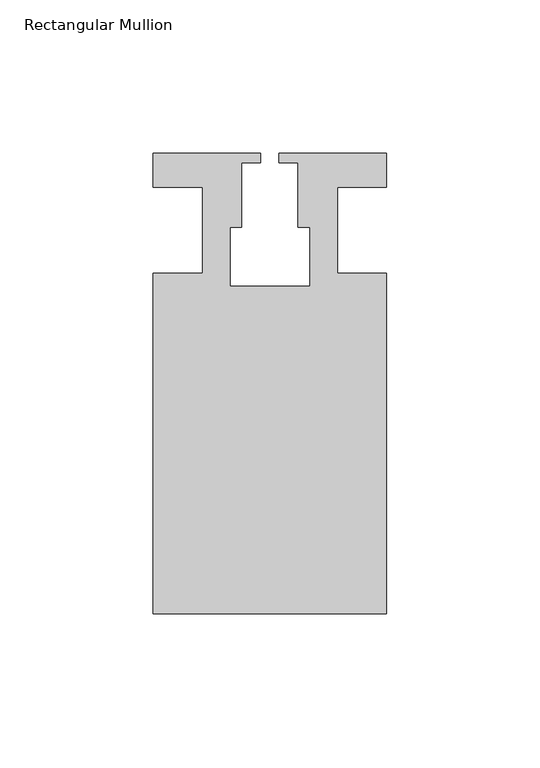
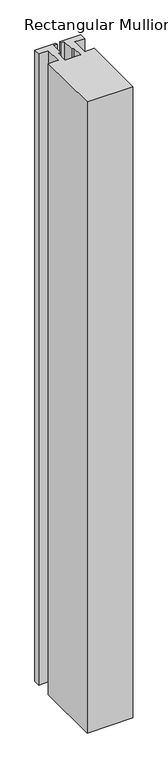
"""IFC4 building model written with IfcOpenShell, lengths in millimetres: member geometry, Rectangular Mullion."""

import ifcopenshell
import ifcopenshell.guid

model = None  # the IFC model being written
_history = None  # IfcOwnerHistory: only IFC2X3 demands one
_inside = {}  # id of a spatial element -> (the spatial element, [elements in it])
_under = {}  # id of a project, library or spatial element -> (it, [spatial elements below it])
_declared = {}  # id of a project -> (the project, [libraries it declares])
_typed = {}  # id of a type object -> (the type object, [elements of that type])
_made_of = {}  # id of a material, layer set ... -> (it, [elements and type objects made of it])


def new_model(schema):
    """Start an empty IFC model of exactly this schema.

    Asked for "IFC4X3", IfcOpenShell would pick the latest addendum, in which some entities
    have other attributes; the version numbers below select the first issue.
    IFC2X3 requires an IfcOwnerHistory on every rooted entity: one is made here for all.
    """
    global model, _history
    if schema == "IFC4X3":
        model = ifcopenshell.file(schema_version=(4, 3, 0, 0))
    else:
        model = ifcopenshell.file(schema=schema)
    _inside.clear()
    _under.clear()
    _declared.clear()
    _typed.clear()
    _made_of.clear()
    _history = None
    if model.schema == "IFC2X3":
        org = make("IfcOrganization", Name="unknown")
        user = make(
            "IfcPersonAndOrganization",
            ThePerson=make("IfcPerson", FamilyName="unknown"),
            TheOrganization=org,
        )
        app = make(
            "IfcApplication",
            ApplicationDeveloper=org,
            Version="unknown",
            ApplicationFullName="unknown",
            ApplicationIdentifier="unknown",
        )
        _history = make(
            "IfcOwnerHistory",
            OwningUser=user,
            OwningApplication=app,
            ChangeAction="ADDED",
            CreationDate=0,
        )
    return model


def make(cls, **values):
    """One entity of the class cls with the attributes given. An attribute that is None is left unset."""
    return model.create_entity(
        cls, **{name: value for name, value in values.items() if value is not None}
    )


def rooted(cls, **values):
    """An entity with a GlobalId (a new one), such as an element, a storey or a relation."""
    return make(cls, GlobalId=ifcopenshell.guid.new(), OwnerHistory=_history, **values)


def si_unit(unit_type, name, prefix=None):
    """IfcSIUnit, for example si_unit("LENGTHUNIT", "METRE", prefix="MILLI")."""
    return make("IfcSIUnit", UnitType=unit_type, Prefix=prefix, Name=name)


def assignment(units):
    """IfcUnitAssignment: the units of a project."""
    return None if units is None else make("IfcUnitAssignment", Units=units)


def point(xyz):
    """IfcCartesianPoint."""
    return None if xyz is None else make("IfcCartesianPoint", Coordinates=xyz)


def direction(xyz):
    """IfcDirection."""
    return None if xyz is None else make("IfcDirection", DirectionRatios=xyz)


def frame(location, z_axis=None, x_axis=None):
    """IfcAxis2Placement3D, a coordinate frame: its origin and axes. An axis left out is left unset."""
    return make(
        "IfcAxis2Placement3D",
        Location=point(location),
        Axis=direction(z_axis),
        RefDirection=direction(x_axis),
    )


def origin():
    """The frame at (0, 0, 0) with its axes left unset."""
    return frame((0.0, 0.0, 0.0))


def place(relative_to, where):
    """IfcLocalPlacement: puts the frame where relative to a parent placement (None: the world)."""
    return make(
        "IfcLocalPlacement", PlacementRelTo=relative_to, RelativePlacement=where
    )


def context(
    kind, dimensions, precision=None, world=None, true_north=None, identifier=None
):
    """IfcGeometricRepresentationContext, for example the 3D "Model" context."""
    return make(
        "IfcGeometricRepresentationContext",
        ContextIdentifier=identifier,
        ContextType=kind,
        CoordinateSpaceDimension=dimensions,
        Precision=precision,
        WorldCoordinateSystem=world,
        TrueNorth=true_north,
    )


def project(units=None, contexts=None):
    """IfcProject with its units and contexts."""
    return rooted(
        "IfcProject",
        Name="project",
        RepresentationContexts=contexts,
        UnitsInContext=assignment(units),
    )


def spatial(cls, under=None, at=None, **own):
    """A site, building, storey or space (cls), placed at a placement, below another one or the project."""
    s = rooted(cls, ObjectPlacement=at, **own)
    if under is not None:
        _under.setdefault(under.id(), (under, []))[1].append(s)
    return s


def polyline(points):
    """IfcPolyline through the points."""
    return make("IfcPolyline", Points=[point(p) for p in points])


def outline(outer, holes=None, kind="AREA"):
    """IfcArbitraryClosedProfileDef: a profile drawn as a closed curve; with holes, ...WithVoids."""
    if holes is None:
        return make("IfcArbitraryClosedProfileDef", ProfileType=kind, OuterCurve=outer)
    return make(
        "IfcArbitraryProfileDefWithVoids",
        ProfileType=kind,
        OuterCurve=outer,
        InnerCurves=holes,
    )


def extrude(swept, where, along, depth):
    """IfcExtrudedAreaSolid: the profile swept, set in the frame where, extruded along a direction by depth."""
    return make(
        "IfcExtrudedAreaSolid",
        SweptArea=swept,
        Position=where,
        ExtrudedDirection=direction(along),
        Depth=depth,
    )


def shape(context_of_items, identifier, shape_type, items):
    """IfcShapeRepresentation: the items that make up one representation, for example the "Body"."""
    return make(
        "IfcShapeRepresentation",
        ContextOfItems=context_of_items,
        RepresentationIdentifier=identifier,
        RepresentationType=shape_type,
        Items=items,
    )


def source(mapping_origin, context_of_items, identifier, shape_type, items):
    """IfcRepresentationMap: a shape defined once, which mapped items show again and again."""
    return make(
        "IfcRepresentationMap",
        MappingOrigin=mapping_origin,
        MappedRepresentation=shape(context_of_items, identifier, shape_type, items),
    )


def transform(
    local_origin,
    x_axis=None,
    y_axis=None,
    z_axis=None,
    scale=None,
    scale2=None,
    scale3=None,
    uniform=True,
):
    """IfcCartesianTransformationOperator3D, or its non-uniform kind. x_axis, y_axis, z_axis: its Axis1, 2, 3."""
    if uniform:
        return make(
            "IfcCartesianTransformationOperator3D",
            Axis1=direction(x_axis),
            Axis2=direction(y_axis),
            LocalOrigin=point(local_origin),
            Scale=scale,
            Axis3=direction(z_axis),
        )
    return make(
        "IfcCartesianTransformationOperator3DnonUniform",
        Axis1=direction(x_axis),
        Axis2=direction(y_axis),
        LocalOrigin=point(local_origin),
        Scale=scale,
        Axis3=direction(z_axis),
        Scale2=scale2,
        Scale3=scale3,
    )


def mapped(mapping_source, mapping_target):
    """IfcMappedItem: shows the shape of a source again, moved by a transform."""
    return make(
        "IfcMappedItem", MappingSource=mapping_source, MappingTarget=mapping_target
    )


def made_of(thing, what):
    """Note that an element or type object is made of a material, layer set ...; save() writes the relation."""
    if what is not None:
        _made_of.setdefault(what.id(), (what, []))[1].append(thing)
    return thing


def element(
    cls,
    number,
    at=None,
    inside=None,
    cuts=None,
    type_object=None,
    material=None,
    context=None,
    identifier="Body",
    shape_type=None,
    held_by="IfcProductDefinitionShape",
    body=None,
    shapes=None,
    **own,
):
    """One element of the class cls, such as IfcWall. Its Tag is "e" and its number.

    at: its placement. inside: the storey or other place that contains it. cuts: it is an
    opening in that element (IfcRelVoidsElement). A single representation is given by context,
    identifier, shape_type and body (its items); several are given by shapes. held_by: the class
    of the entity that holds the representations. save() writes the other relations.
    """
    e = rooted(cls, Tag="e%d" % number, ObjectPlacement=at, **own)
    if body is not None:
        shapes = [shape(context, identifier, shape_type, body)]
    if shapes is not None:
        e.Representation = make(held_by, Representations=shapes)
    if inside is not None:
        _inside.setdefault(inside.id(), (inside, []))[1].append(e)
    if cuts is not None:
        rooted(
            "IfcRelVoidsElement", RelatingBuildingElement=cuts, RelatedOpeningElement=e
        )
    if type_object is not None:
        _typed.setdefault(type_object.id(), (type_object, []))[1].append(e)
    return made_of(e, material)


def aggregate(whole, parts):
    """IfcRelAggregates: a whole, such as a stair, and the parts it consists of."""
    return rooted("IfcRelAggregates", RelatingObject=whole, RelatedObjects=parts)


def save(model, path):
    """Write the relations noted so far, then the file.

    IfcRelAggregates (storeys below a building ...), IfcRelContainedInSpatialStructure (elements
    in a storey), IfcRelDefinesByType, IfcRelAssociatesMaterial and IfcRelDeclares: one each for
    every whole, place, type object, material and project.
    """
    for whole, parts in _under.values():
        aggregate(whole, parts)
    for where, things in _inside.values():
        rooted(
            "IfcRelContainedInSpatialStructure",
            RelatedElements=things,
            RelatingStructure=where,
        )
    for kind, things in _typed.values():
        rooted("IfcRelDefinesByType", RelatedObjects=things, RelatingType=kind)
    for what, things in _made_of.values():
        rooted("IfcRelAssociatesMaterial", RelatedObjects=things, RelatingMaterial=what)
    for by, libraries in _declared.values():
        rooted("IfcRelDeclares", RelatingContext=by, RelatedDefinitions=libraries)
    model.write(path)


def rectangular_mullion_d02aa1e8(model_context):
    return source(origin(), model_context, "Body", "SweptSolid", [
        extrude(outline(polyline([(37.9999914, -124.9960123), (-37.9999896, -124.9960123), (-37.9999896, -13.9959029), (-21.9999633, -13.9959029), (-21.9999633, 14.0039877), (-37.9999896, 14.0039877), (-37.9999896, 25.0039877), (-2.9999896, 25.0039877), (-2.9999896, 22.0039877), (-9.1999633, 22.0039877), (-9.1999633, 1.0039877), (-12.9999633, 1.0039877), (-12.9999633, -18.1960075), (12.9999651, -18.1960075), (12.9999651, 1.0039877), (9.1999651, 1.0039877), (9.1999651, 22.0039877), (2.9999651, 22.0039877), (2.9999651, 25.0039877), (37.9999896, 25.0039877), (37.9999896, 14.0039877), (21.9999651, 14.0039877), (21.9999651, -13.9960123), (37.9999914, -13.9960123), (37.9999914, -124.9960123)])), frame((0.0, 0.0, -1108.0099627), z_axis=(0.0, 0.0, 1.0), x_axis=(1.0, 0.0, 0.0)), (0.0, 0.0, 1.0), 1108.0099627),
    ])


if __name__ == "__main__":
    model = new_model("IFC4")
    model_context = context("Model", 3, world=origin())
    ifc_project = project(units=[si_unit("LENGTHUNIT", "METRE", prefix="MILLI")], contexts=[model_context])
    site = spatial("IfcSite", under=ifc_project)
    building = spatial("IfcBuilding", under=site)
    placement = place(None, origin())
    rectangular_mullion_shape = rectangular_mullion_d02aa1e8(model_context)
    element("IfcMember", 1, ObjectType="Rectangular Mullion", at=placement, inside=building, context=model_context, shape_type="MappedRepresentation", body=[
        mapped(rectangular_mullion_shape, transform((0.0, 0.0, 0.0), x_axis=(1.0, 0.0, 0.0), y_axis=(0.0, 1.0, 0.0), z_axis=(0.0, 0.0, 1.0))),
    ])
    save(model, "model.ifc")
